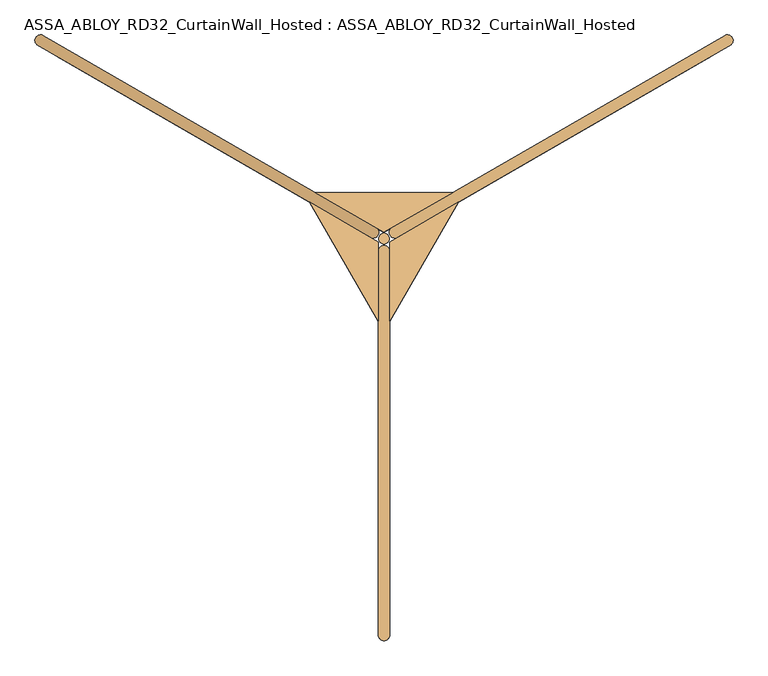
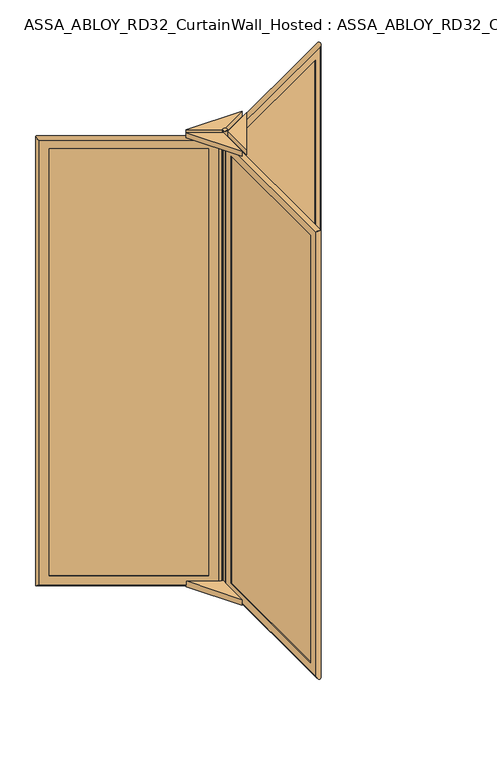
"""IFC4 building model written with IfcOpenShell, lengths in millimetres: door geometry, ASSA_ABLOY_RD32_CurtainWall_Hosted : ASSA_ABLOY_RD32_CurtainWall_Hosted."""

from ifc_helpers import new_model, si_unit, point, frame, origin, origin_with_axes, origin_2d, place, context, project, spatial, polyline, circle_curve, ellipse_curve, trimmed, segment, composite_curve, outline, extrude, source, transform, mapped, element, save
from ifc_brep_helpers import plane_surface, cylinder_surface, advanced_brep


def assa_abloy_rd32_curtainwall_hosted_assa_abloy_rd32_d3722ae0(model_context):
    return source(origin(), model_context, "Body", "SolidModel", [
        advanced_brep(
        [(756.0172302, 424.939746, 105.0), (757.5172302, 422.3416698, 105.0), (757.5172302, 422.3416698, 2673.0), (756.0172302, 424.939746, 2673.0), (763.3377382, 452.260254, 85.0), (773.3377382, 434.939746, 85.0), (773.3377382, 434.939746, 2693.0), (763.3377382, 452.260254, 2693.0), (744.5172302, 444.8583302, 105.0), (746.0172302, 442.260254, 105.0), (746.0172302, 442.260254, 2673.0), (744.5172302, 444.8583302, 2673.0), (802.5505512, 448.3416698, 53.0), (789.5505512, 470.8583302, 53.0), (789.5505512, 470.8583302, 2725.0), (802.5505512, 448.3416698, 2725.0), (76.6480577, 29.2416698, 2673.0), (75.1480577, 31.839746, 2673.0), (57.8275496, 21.839746, 2693.0), (47.8275496, 39.160254, 2693.0), (65.1480577, 49.160254, 2673.0), (63.6480577, 51.7583302, 2673.0), (18.6147367, 25.7583302, 2725.0), (31.6147367, 3.2416698, 2725.0), (76.6480577, 29.2416698, 105.0), (75.1480577, 31.839746, 105.0), (57.8275496, 21.839746, 85.0), (47.8275496, 39.160254, 85.0), (65.1480577, 49.160254, 105.0), (63.6480577, 51.7583302, 105.0), (18.6147367, 25.7583302, 53.0), (31.6147367, 3.2416698, 53.0)],
        [
            (0, 1),
            (1, 2),
            (2, 3),
            (3, 0),
            (4, 5),
            (5, 6),
            (6, 7),
            (7, 4),
            (8, 9),
            (9, 10),
            (10, 11),
            (11, 8),
            (12, 13, ellipse_curve(frame((796.0505512, 459.6, 53.0), z_axis=(0.6123724356958007, 0.35355339059326285, 0.7071067811865475), x_axis=(0.6123724356957908, 0.3535533905932797, -0.7071067811865477)), 18.3847763, 13.0)),
            (13, 14),
            (14, 15, ellipse_curve(frame((796.0505512, 459.6, 2725.0), z_axis=(0.612372435695791, 0.3535533905932798, -0.7071067811865475), x_axis=(-0.6123724356958007, -0.3535533905932628, -0.7071067811865476)), 18.3847763, 13.0)),
            (15, 12),
            (2, 16),
            (16, 17),
            (17, 3),
            (6, 18),
            (18, 19),
            (19, 7),
            (10, 20),
            (20, 21),
            (21, 11),
            (14, 22),
            (22, 23, ellipse_curve(frame((25.1147367, 14.5, 2725.0), z_axis=(0.6123724356958007, 0.35355339059326285, 0.7071067811865475), x_axis=(0.6123724356957913, 0.35355339059327995, -0.7071067811865472)), 18.3847763, 13.0)),
            (23, 15),
            (16, 24),
            (24, 25),
            (25, 17),
            (18, 26),
            (26, 27),
            (27, 19),
            (20, 28),
            (28, 29),
            (29, 21),
            (22, 30),
            (30, 31, ellipse_curve(frame((25.1147367, 14.5, 53.0), z_axis=(-0.612372435695791, -0.3535533905932798, 0.7071067811865475), x_axis=(0.6123724356958007, 0.3535533905932628, 0.7071067811865476)), 18.3847763, 13.0)),
            (31, 23),
            (24, 1),
            (0, 25),
            (5, 26),
            (4, 27),
            (9, 28),
            (8, 29),
            (13, 30),
            (12, 31),
        ],
        [
            plane_surface(frame((757.5172302, 422.3416698, 105.0), z_axis=(-0.8660254037844419, -0.49999999999999445, 0.0), x_axis=(0.0, 0.0, 1.0))),
            plane_surface(frame((773.3377382, 434.939746, 85.0), z_axis=(-0.8660254037844408, -0.4999999999999964, 0.0), x_axis=(0.0, 0.0, 1.0))),
            plane_surface(frame((746.0172302, 442.260254, 105.0), z_axis=(-0.8660254037844419, -0.49999999999999445, 0.0), x_axis=(0.0, 0.0, 1.0))),
            cylinder_surface(frame((796.0505512, 459.6, 40.0), z_axis=(0.0, 0.0, -1.0), x_axis=(-0.8660254037844406, -0.4999999999999966, 0.0)), 13.0),
            plane_surface(frame((757.5172302, 422.3416698, 2673.0), z_axis=(0.0, 0.0, -1.0), x_axis=(-0.8660254037844406, -0.4999999999999966, 0.0))),
            plane_surface(frame((773.3377382, 434.939746, 2693.0), z_axis=(0.0, 0.0, -1.0), x_axis=(-0.8660254037844406, -0.4999999999999966, 0.0))),
            plane_surface(frame((746.0172302, 442.260254, 2673.0), z_axis=(0.0, 0.0, -1.0), x_axis=(-0.8660254037844406, -0.4999999999999966, 0.0))),
            cylinder_surface(frame((807.3088814, 466.1, 2725.0), z_axis=(0.8660254037844406, 0.4999999999999966, 0.0), x_axis=(0.0, 0.0, -1.0)), 13.0),
            plane_surface(frame((76.6480577, 29.2416698, 2673.0), z_axis=(0.8660254037844394, 0.49999999999999883, 0.0), x_axis=(0.0, 0.0, -1.0))),
            plane_surface(frame((57.8275496, 21.839746, 2693.0), z_axis=(0.8660254037844405, 0.4999999999999969, 0.0), x_axis=(0.0, 0.0, -1.0))),
            plane_surface(frame((65.1480577, 49.160254, 2673.0), z_axis=(0.8660254037844394, 0.49999999999999883, 0.0), x_axis=(0.0, 0.0, -1.0))),
            cylinder_surface(frame((25.1147367, 14.5, 2738.0), z_axis=(0.0, 0.0, 1.0), x_axis=(0.8660254037844406, 0.4999999999999966, 0.0)), 13.0),
            plane_surface(frame((76.6480577, 29.2416698, 105.0), z_axis=(0.0, 0.0, 1.0), x_axis=(0.8660254037844406, 0.4999999999999966, 0.0))),
            plane_surface(frame((75.1480577, 31.839746, 105.0), z_axis=(-0.4999999999999966, 0.8660254037844406, 0.0), x_axis=(0.8660254037844406, 0.4999999999999966, 0.0))),
            plane_surface(frame((57.8275496, 21.839746, 85.0), z_axis=(0.0, 0.0, 1.0), x_axis=(0.8660254037844406, 0.4999999999999966, 0.0))),
            plane_surface(frame((47.8275496, 39.160254, 85.0), z_axis=(0.4999999999999966, -0.8660254037844406, 0.0), x_axis=(0.8660254037844406, 0.4999999999999966, 0.0))),
            plane_surface(frame((65.1480577, 49.160254, 105.0), z_axis=(0.0, 0.0, 1.0), x_axis=(0.8660254037844406, 0.4999999999999966, 0.0))),
            plane_surface(frame((63.6480577, 51.7583302, 105.0), z_axis=(-0.4999999999999966, 0.8660254037844406, 0.0), x_axis=(0.8660254037844406, 0.4999999999999966, 0.0))),
            cylinder_surface(frame((13.8564065, 8.0, 53.0), z_axis=(-0.8660254037844406, -0.4999999999999966, 0.0), x_axis=(0.0, 0.0, 1.0)), 13.0),
            plane_surface(frame((31.6147367, 3.2416698, 53.0), z_axis=(0.4999999999999966, -0.8660254037844406, 0.0), x_axis=(0.8660254037844406, 0.4999999999999966, 0.0))),
        ],
        [
            (0, [[1, 2, 3, 4]]),
            (1, [[5, 6, 7, 8]]),
            (2, [[9, 10, 11, 12]]),
            (3, [[13, 14, 15, 16]]),
            (4, [[-3, 17, 18, 19]]),
            (5, [[-7, 20, 21, 22]]),
            (6, [[-11, 23, 24, 25]]),
            (7, [[-15, 26, 27, 28]]),
            (8, [[-18, 29, 30, 31]]),
            (9, [[-21, 32, 33, 34]]),
            (10, [[-24, 35, 36, 37]]),
            (11, [[-27, 38, 39, 40]]),
            (12, [[-30, 41, -1, 42]]),
            (13, [[43, -32, -20, -6], [-19, -31, -42, -4]]),
            (14, [[-33, -43, -5, 44]]),
            (15, [[-22, -34, -44, -8], [45, -35, -23, -10]]),
            (16, [[-36, -45, -9, 46]]),
            (17, [[47, -38, -26, -14], [-25, -37, -46, -12]]),
            (18, [[-39, -47, -13, 48]]),
            (19, [[-28, -40, -48, -16], [-41, -29, -17, -2]]),
        ],
    ),
        extrude(outline(polyline([(765.8377382, 447.930127), (770.8377382, 439.269873), (55.3275496, 26.169873), (50.3275496, 34.830127), (765.8377382, 447.930127)])), frame((0.0, 0.0, 85.0), z_axis=(0.0, 0.0, 1.0), x_axis=(1.0, 0.0, 0.0)), (0.0, 0.0, 1.0), 2608.0),
        advanced_brep(
        [(-746.0172302, 442.260254, 105.0), (-744.5172302, 444.8583302, 105.0), (-744.5172302, 444.8583302, 2673.0), (-746.0172302, 442.260254, 2673.0), (-773.3377382, 434.939746, 85.0), (-763.3377382, 452.260254, 85.0), (-763.3377382, 452.260254, 2693.0), (-773.3377382, 434.939746, 2693.0), (-757.5172302, 422.3416698, 105.0), (-756.0172302, 424.939746, 105.0), (-756.0172302, 424.939746, 2673.0), (-757.5172302, 422.3416698, 2673.0), (-789.5505512, 470.8583302, 53.0), (-802.5505512, 448.3416698, 53.0), (-802.5505512, 448.3416698, 2725.0), (-789.5505512, 470.8583302, 2725.0), (-63.6480577, 51.7583302, 2673.0), (-65.1480577, 49.160254, 2673.0), (-47.8275496, 39.160254, 2693.0), (-57.8275496, 21.839746, 2693.0), (-75.1480577, 31.839746, 2673.0), (-76.6480577, 29.2416698, 2673.0), (-31.6147367, 3.2416698, 2725.0), (-18.6147367, 25.7583302, 2725.0), (-63.6480577, 51.7583302, 105.0), (-65.1480577, 49.160254, 105.0), (-47.8275496, 39.160254, 85.0), (-57.8275496, 21.839746, 85.0), (-75.1480577, 31.839746, 105.0), (-76.6480577, 29.2416698, 105.0), (-31.6147367, 3.2416698, 53.0), (-18.6147367, 25.7583302, 53.0)],
        [
            (0, 1),
            (1, 2),
            (2, 3),
            (3, 0),
            (4, 5),
            (5, 6),
            (6, 7),
            (7, 4),
            (8, 9),
            (9, 10),
            (10, 11),
            (11, 8),
            (12, 13, ellipse_curve(frame((-796.0505512, 459.6, 53.0), z_axis=(-0.612372435695792, 0.35355339059327806, 0.7071067811865475), x_axis=(-0.6123724356958017, 0.3535533905932611, -0.7071067811865476)), 18.3847763, 13.0)),
            (13, 14),
            (14, 15, ellipse_curve(frame((-796.0505512, 459.6, 2725.0), z_axis=(-0.6123724356958017, 0.35355339059326113, -0.7071067811865475), x_axis=(0.6123724356957919, -0.353553390593278, -0.7071067811865477)), 18.3847763, 13.0)),
            (15, 12),
            (2, 16),
            (16, 17),
            (17, 3),
            (6, 18),
            (18, 19),
            (19, 7),
            (10, 20),
            (20, 21),
            (21, 11),
            (14, 22),
            (22, 23, ellipse_curve(frame((-25.1147367, 14.5, 2725.0), z_axis=(-0.612372435695792, 0.35355339059327806, 0.7071067811865475), x_axis=(-0.6123724356958017, 0.3535533905932612, -0.7071067811865475)), 18.3847763, 13.0)),
            (23, 15),
            (16, 24),
            (24, 25),
            (25, 17),
            (18, 26),
            (26, 27),
            (27, 19),
            (20, 28),
            (28, 29),
            (29, 21),
            (22, 30),
            (30, 31, ellipse_curve(frame((-25.1147367, 14.5, 53.0), z_axis=(0.6123724356958017, -0.35355339059326113, 0.7071067811865475), x_axis=(-0.6123724356957919, 0.353553390593278, 0.7071067811865477)), 18.3847763, 13.0)),
            (31, 23),
            (24, 1),
            (0, 25),
            (5, 26),
            (4, 27),
            (9, 28),
            (8, 29),
            (13, 30),
            (12, 31),
        ],
        [
            plane_surface(frame((-744.5172302, 444.8583302, 105.0), z_axis=(0.8660254037844408, -0.4999999999999964, 0.0), x_axis=(0.0, 0.0, 1.0))),
            plane_surface(frame((-763.3377382, 452.260254, 85.0), z_axis=(0.8660254037844419, -0.49999999999999445, 0.0), x_axis=(0.0, 0.0, 1.0))),
            plane_surface(frame((-756.0172302, 424.939746, 105.0), z_axis=(0.8660254037844408, -0.4999999999999964, 0.0), x_axis=(0.0, 0.0, 1.0))),
            cylinder_surface(frame((-796.0505512, 459.6, 40.0), z_axis=(0.0, 0.0, -1.0), x_axis=(0.8660254037844415, -0.49999999999999384, 0.0)), 13.0),
            plane_surface(frame((-744.5172302, 444.8583302, 2673.0), z_axis=(0.0, 0.0, -1.0), x_axis=(0.866025403784442, -0.49999999999999417, 0.0))),
            plane_surface(frame((-763.3377382, 452.260254, 2693.0), z_axis=(0.0, 0.0, -1.0), x_axis=(0.866025403784442, -0.49999999999999417, 0.0))),
            plane_surface(frame((-756.0172302, 424.939746, 2673.0), z_axis=(0.0, 0.0, -1.0), x_axis=(0.866025403784442, -0.49999999999999417, 0.0))),
            cylinder_surface(frame((-807.3088814, 466.1, 2725.0), z_axis=(-0.8660254037844415, 0.49999999999999384, 0.0), x_axis=(0.0, 0.0, -1.0)), 13.0),
            plane_surface(frame((-63.6480577, 51.7583302, 2673.0), z_axis=(-0.8660254037844433, 0.49999999999999195, 0.0), x_axis=(0.0, 0.0, -1.0))),
            plane_surface(frame((-47.8275496, 39.160254, 2693.0), z_axis=(-0.8660254037844421, 0.4999999999999939, 0.0), x_axis=(0.0, 0.0, -1.0))),
            plane_surface(frame((-75.1480577, 31.839746, 2673.0), z_axis=(-0.8660254037844433, 0.49999999999999195, 0.0), x_axis=(0.0, 0.0, -1.0))),
            cylinder_surface(frame((-25.1147367, 14.5, 2738.0), z_axis=(0.0, 0.0, 1.0), x_axis=(-0.8660254037844415, 0.49999999999999384, 0.0)), 13.0),
            plane_surface(frame((-63.6480577, 51.7583302, 105.0), z_axis=(0.0, 0.0, 1.0), x_axis=(-0.866025403784442, 0.49999999999999417, 0.0))),
            plane_surface(frame((-65.1480577, 49.160254, 105.0), z_axis=(-0.49999999999999417, -0.866025403784442, 0.0), x_axis=(-0.866025403784442, 0.49999999999999417, 0.0))),
            plane_surface(frame((-47.8275496, 39.160254, 85.0), z_axis=(0.0, 0.0, 1.0), x_axis=(-0.866025403784442, 0.49999999999999417, 0.0))),
            plane_surface(frame((-57.8275496, 21.839746, 85.0), z_axis=(0.49999999999999417, 0.866025403784442, 0.0), x_axis=(-0.866025403784442, 0.49999999999999417, 0.0))),
            plane_surface(frame((-75.1480577, 31.839746, 105.0), z_axis=(0.0, 0.0, 1.0), x_axis=(-0.866025403784442, 0.49999999999999417, 0.0))),
            plane_surface(frame((-76.6480577, 29.2416698, 105.0), z_axis=(-0.49999999999999417, -0.866025403784442, 0.0), x_axis=(-0.866025403784442, 0.49999999999999417, 0.0))),
            cylinder_surface(frame((-13.8564065, 8.0, 53.0), z_axis=(0.8660254037844415, -0.49999999999999384, 0.0), x_axis=(0.0, 0.0, 1.0)), 13.0),
            plane_surface(frame((-18.6147367, 25.7583302, 53.0), z_axis=(0.49999999999999417, 0.866025403784442, 0.0), x_axis=(-0.866025403784442, 0.49999999999999417, 0.0))),
        ],
        [
            (0, [[1, 2, 3, 4]]),
            (1, [[5, 6, 7, 8]]),
            (2, [[9, 10, 11, 12]]),
            (3, [[13, 14, 15, 16]]),
            (4, [[-3, 17, 18, 19]]),
            (5, [[-7, 20, 21, 22]]),
            (6, [[-11, 23, 24, 25]]),
            (7, [[-15, 26, 27, 28]]),
            (8, [[-18, 29, 30, 31]]),
            (9, [[-21, 32, 33, 34]]),
            (10, [[-24, 35, 36, 37]]),
            (11, [[-27, 38, 39, 40]]),
            (12, [[-30, 41, -1, 42]]),
            (13, [[43, -32, -20, -6], [-19, -31, -42, -4]]),
            (14, [[-33, -43, -5, 44]]),
            (15, [[-22, -34, -44, -8], [45, -35, -23, -10]]),
            (16, [[-36, -45, -9, 46]]),
            (17, [[47, -38, -26, -14], [-25, -37, -46, -12]]),
            (18, [[-39, -47, -13, 48]]),
            (19, [[-28, -40, -48, -16], [-41, -29, -17, -2]]),
        ],
    ),
        extrude(outline(polyline([(-770.8377382, 439.269873), (-765.8377382, 447.930127), (-50.3275496, 34.830127), (-55.3275496, 26.169873), (-770.8377382, 439.269873)])), frame((0.0, 0.0, 85.0), z_axis=(0.0, 0.0, 1.0), x_axis=(1.0, 0.0, 0.0)), (0.0, 0.0, 1.0), 2608.0),
        advanced_brep(
        [(-10.0, -867.2, 105.0), (-13.0, -867.2, 105.0), (-13.0, -867.2, 2673.0), (-10.0, -867.2, 2673.0), (10.0, -887.2, 85.0), (-10.0, -887.2, 85.0), (-10.0, -887.2, 2693.0), (10.0, -887.2, 2693.0), (13.0, -867.2, 105.0), (10.0, -867.2, 105.0), (10.0, -867.2, 2673.0), (13.0, -867.2, 2673.0), (-13.0, -919.2, 53.0), (13.0, -919.2, 53.0), (13.0, -919.2, 2725.0), (-13.0, -919.2, 2725.0), (-13.0, -81.0, 2673.0), (-10.0, -81.0, 2673.0), (-10.0, -61.0, 2693.0), (10.0, -61.0, 2693.0), (10.0, -81.0, 2673.0), (13.0, -81.0, 2673.0), (13.0, -29.0, 2725.0), (-13.0, -29.0, 2725.0), (-13.0, -81.0, 105.0), (-10.0, -81.0, 105.0), (-10.0, -61.0, 85.0), (10.0, -61.0, 85.0), (10.0, -81.0, 105.0), (13.0, -81.0, 105.0), (13.0, -29.0, 53.0), (-13.0, -29.0, 53.0)],
        [
            (0, 1),
            (1, 2),
            (2, 3),
            (3, 0),
            (4, 5),
            (5, 6),
            (6, 7),
            (7, 4),
            (8, 9),
            (9, 10),
            (10, 11),
            (11, 8),
            (12, 13, ellipse_curve(frame((0.0, -919.2, 53.0), z_axis=(0.0, -0.7071067811865475, 0.7071067811865475), x_axis=(0.0, -0.7071067811865474, -0.7071067811865476)), 18.3847763, 13.0)),
            (13, 14),
            (14, 15, ellipse_curve(frame((0.0, -919.2, 2725.0), z_axis=(0.0, -0.7071067811865475, -0.7071067811865475), x_axis=(0.0, 0.7071067811865474, -0.7071067811865476)), 18.3847763, 13.0)),
            (15, 12),
            (2, 16),
            (16, 17),
            (17, 3),
            (6, 18),
            (18, 19),
            (19, 7),
            (10, 20),
            (20, 21),
            (21, 11),
            (14, 22),
            (22, 23, ellipse_curve(frame((0.0, -29.0, 2725.0), z_axis=(0.0, -0.7071067811865475, 0.7071067811865475), x_axis=(0.0, -0.7071067811865476, -0.7071067811865474)), 18.3847763, 13.0)),
            (23, 15),
            (16, 24),
            (24, 25),
            (25, 17),
            (18, 26),
            (26, 27),
            (27, 19),
            (20, 28),
            (28, 29),
            (29, 21),
            (22, 30),
            (30, 31, ellipse_curve(frame((0.0, -29.0, 53.0), z_axis=(0.0, 0.7071067811865475, 0.7071067811865475), x_axis=(0.0, -0.7071067811865474, 0.7071067811865476)), 18.3847763, 13.0)),
            (31, 23),
            (24, 1),
            (0, 25),
            (5, 26),
            (4, 27),
            (9, 28),
            (8, 29),
            (13, 30),
            (12, 31),
        ],
        [
            plane_surface(frame((-13.0, -867.2, 105.0), z_axis=(0.0, 1.0, 0.0), x_axis=(0.0, 0.0, 1.0))),
            plane_surface(frame((-10.0, -887.2, 85.0), z_axis=(0.0, 1.0, 0.0), x_axis=(0.0, 0.0, 1.0))),
            plane_surface(frame((10.0, -867.2, 105.0), z_axis=(0.0, 1.0, 0.0), x_axis=(0.0, 0.0, 1.0))),
            cylinder_surface(frame((0.0, -919.2, 40.0), z_axis=(0.0, 0.0, -1.0), x_axis=(0.0, 1.0000000000000009, 0.0)), 13.0),
            plane_surface(frame((-13.0, -867.2, 2673.0), z_axis=(0.0, 0.0, -1.0), x_axis=(0.0, 1.0, 0.0))),
            plane_surface(frame((-10.0, -887.2, 2693.0), z_axis=(0.0, 0.0, -1.0), x_axis=(0.0, 1.0, 0.0))),
            plane_surface(frame((10.0, -867.2, 2673.0), z_axis=(0.0, 0.0, -1.0), x_axis=(0.0, 1.0, 0.0))),
            cylinder_surface(frame((0.0, -932.2, 2725.0), z_axis=(0.0, -1.0000000000000009, 0.0), x_axis=(0.0, 0.0, -1.0)), 13.0),
            plane_surface(frame((-13.0, -81.0, 2673.0), z_axis=(0.0, -1.0, 0.0), x_axis=(0.0, 0.0, -1.0))),
            plane_surface(frame((-10.0, -61.0, 2693.0), z_axis=(0.0, -1.0, 0.0), x_axis=(0.0, 0.0, -1.0))),
            plane_surface(frame((10.0, -81.0, 2673.0), z_axis=(0.0, -1.0, 0.0), x_axis=(0.0, 0.0, -1.0))),
            cylinder_surface(frame((0.0, -29.0, 2738.0), z_axis=(0.0, 0.0, 1.0), x_axis=(0.0, -1.0000000000000009, 0.0)), 13.0),
            plane_surface(frame((-13.0, -81.0, 105.0), z_axis=(0.0, 0.0, 1.0), x_axis=(0.0, -1.0, 0.0))),
            plane_surface(frame((-10.0, -81.0, 105.0), z_axis=(1.0, 0.0, 0.0), x_axis=(0.0, -1.0, 0.0))),
            plane_surface(frame((-10.0, -61.0, 85.0), z_axis=(0.0, 0.0, 1.0), x_axis=(0.0, -1.0, 0.0))),
            plane_surface(frame((10.0, -61.0, 85.0), z_axis=(-1.0, 0.0, 0.0), x_axis=(0.0, -1.0, 0.0))),
            plane_surface(frame((10.0, -81.0, 105.0), z_axis=(0.0, 0.0, 1.0), x_axis=(0.0, -1.0, 0.0))),
            plane_surface(frame((13.0, -81.0, 105.0), z_axis=(1.0, 0.0, 0.0), x_axis=(0.0, -1.0, 0.0))),
            cylinder_surface(frame((0.0, -16.0, 53.0), z_axis=(0.0, 1.0000000000000009, 0.0), x_axis=(0.0, 0.0, 1.0)), 13.0),
            plane_surface(frame((-13.0, -29.0, 53.0), z_axis=(-1.0, 0.0, 0.0), x_axis=(0.0, -1.0, 0.0))),
        ],
        [
            (0, [[1, 2, 3, 4]]),
            (1, [[5, 6, 7, 8]]),
            (2, [[9, 10, 11, 12]]),
            (3, [[13, 14, 15, 16]]),
            (4, [[-3, 17, 18, 19]]),
            (5, [[-7, 20, 21, 22]]),
            (6, [[-11, 23, 24, 25]]),
            (7, [[-15, 26, 27, 28]]),
            (8, [[-18, 29, 30, 31]]),
            (9, [[-21, 32, 33, 34]]),
            (10, [[-24, 35, 36, 37]]),
            (11, [[-27, 38, 39, 40]]),
            (12, [[-30, 41, -1, 42]]),
            (13, [[43, -32, -20, -6], [-19, -31, -42, -4]]),
            (14, [[-33, -43, -5, 44]]),
            (15, [[-22, -34, -44, -8], [45, -35, -23, -10]]),
            (16, [[-36, -45, -9, 46]]),
            (17, [[47, -38, -26, -14], [-25, -37, -46, -12]]),
            (18, [[-39, -47, -13, 48]]),
            (19, [[-28, -40, -48, -16], [-41, -29, -17, -2]]),
        ],
    ),
        extrude(outline(polyline([(5.0, -887.2), (-5.0, -887.2), (-5.0, -61.0), (5.0, -61.0), (5.0, -887.2)])), frame((0.0, 0.0, 85.0), z_axis=(0.0, 0.0, 1.0), x_axis=(1.0, 0.0, 0.0)), (0.0, 0.0, 1.0), 2608.0),
        extrude(outline(polyline([(-13.0, -191.5593903), (-172.3952983, 84.5213649), (-13.0, -7.5055535), (-13.0, -191.5593903)])), frame((0.0, 0.0, 2738.0), z_axis=(0.0, 0.0, 1.0), x_axis=(1.0, 0.0, 0.0)), (0.0, 0.0, 1.0), 31.5),
        extrude(outline(polyline([(-159.3952983, 107.0380254), (159.3952983, 107.0380254), (0.0, 15.011107), (-159.3952983, 107.0380254)])), frame((0.0, 0.0, 2738.0), z_axis=(0.0, 0.0, 1.0), x_axis=(1.0, 0.0, 0.0)), (0.0, 0.0, 1.0), 31.5),
        extrude(outline(polyline([(172.3952983, 84.5213649), (13.0, -191.5593903), (13.0, -7.5055535), (172.3952983, 84.5213649)])), frame((0.0, 0.0, 2738.0), z_axis=(0.0, 0.0, 1.0), x_axis=(1.0, 0.0, 0.0)), (0.0, 0.0, 1.0), 31.5),
        extrude(outline(polyline([(172.3952983, 84.5213649), (13.0, -191.5593903), (13.0, -7.5055535), (172.3952983, 84.5213649)])), frame((0.0, 0.0, 40.0), z_axis=(0.0, 0.0, 1.0), x_axis=(1.0, 0.0, 0.0)), (0.0, 0.0, 1.0), 34.93),
        extrude(outline(polyline([(-13.0, -191.5593903), (-172.3952983, 84.5213649), (-13.0, -7.5055535), (-13.0, -191.5593903)])), frame((0.0, 0.0, 40.0), z_axis=(0.0, 0.0, 1.0), x_axis=(1.0, 0.0, 0.0)), (0.0, 0.0, 1.0), 34.93),
        extrude(outline(polyline([(-159.3952983, 107.0380254), (159.3952983, 107.0380254), (0.0, 15.011107), (-159.3952983, 107.0380254)])), frame((0.0, 0.0, 40.0), z_axis=(0.0, 0.0, 1.0), x_axis=(1.0, 0.0, 0.0)), (0.0, 0.0, 1.0), 34.93),
        extrude(outline(composite_curve([segment(trimmed(circle_curve(origin_2d(), 12.5), [point((12.5, 0.0))], [point((-12.5, 0.0))], False, "CARTESIAN"), True, "CONTINUOUS"), segment(trimmed(circle_curve(origin_2d(), 12.5), [point((-12.5, 0.0))], [point((12.5, 0.0))], False, "CARTESIAN"), True, "CONTINUOUS")], self_intersect=False)), origin_with_axes(), (0.0, 0.0, 1.0), 2778.0),
    ])


if __name__ == "__main__":
    model = new_model("IFC4")
    model_context = context("Model", 3, world=origin())
    ifc_project = project(units=[si_unit("LENGTHUNIT", "METRE", prefix="MILLI")], contexts=[model_context])
    site = spatial("IfcSite", under=ifc_project)
    building = spatial("IfcBuilding", under=site)
    placement = place(None, origin())
    assa_abloy_rd32_curtainwall_hosted_assa_abloy_rd32_shape = assa_abloy_rd32_curtainwall_hosted_assa_abloy_rd32_d3722ae0(model_context)
    element("IfcDoor", 1, ObjectType="ASSA_ABLOY_RD32_CurtainWall_Hosted : ASSA_ABLOY_RD32_CurtainWall_Hosted", at=placement, inside=building, context=model_context, shape_type="MappedRepresentation", body=[
        mapped(assa_abloy_rd32_curtainwall_hosted_assa_abloy_rd32_shape, transform((0.0, 0.0, 0.0), x_axis=(1.0, 0.0, 0.0), y_axis=(0.0, 1.0, 0.0), z_axis=(0.0, 0.0, 1.0))),
    ])
    save(model, "model.ifc")
